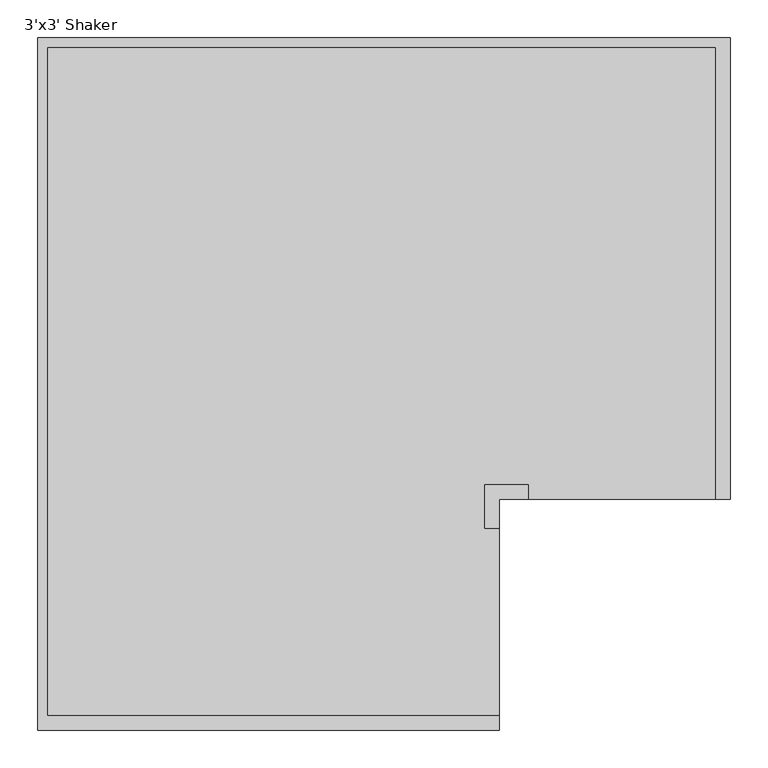
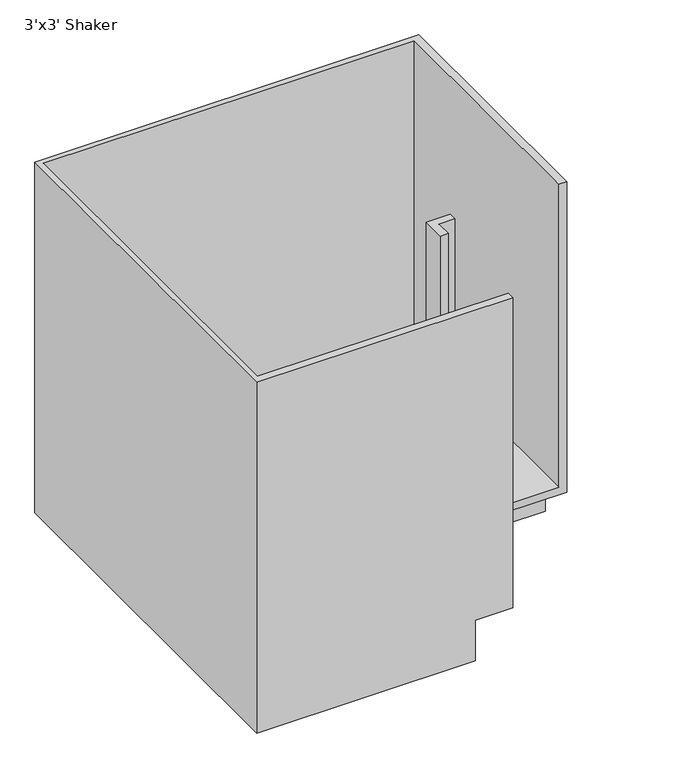
"""IFC4 building model written with IfcOpenShell, lengths in millimetres: furniture geometry, 3'x3' Shaker."""

import ifcopenshell
import ifcopenshell.guid

model = None  # the IFC model being written
_history = None  # IfcOwnerHistory: only IFC2X3 demands one
_inside = {}  # id of a spatial element -> (the spatial element, [elements in it])
_under = {}  # id of a project, library or spatial element -> (it, [spatial elements below it])
_declared = {}  # id of a project -> (the project, [libraries it declares])
_typed = {}  # id of a type object -> (the type object, [elements of that type])
_made_of = {}  # id of a material, layer set ... -> (it, [elements and type objects made of it])


def new_model(schema):
    """Start an empty IFC model of exactly this schema.

    Asked for "IFC4X3", IfcOpenShell would pick the latest addendum, in which some entities
    have other attributes; the version numbers below select the first issue.
    IFC2X3 requires an IfcOwnerHistory on every rooted entity: one is made here for all.
    """
    global model, _history
    if schema == "IFC4X3":
        model = ifcopenshell.file(schema_version=(4, 3, 0, 0))
    else:
        model = ifcopenshell.file(schema=schema)
    _inside.clear()
    _under.clear()
    _declared.clear()
    _typed.clear()
    _made_of.clear()
    _history = None
    if model.schema == "IFC2X3":
        org = make("IfcOrganization", Name="unknown")
        user = make(
            "IfcPersonAndOrganization",
            ThePerson=make("IfcPerson", FamilyName="unknown"),
            TheOrganization=org,
        )
        app = make(
            "IfcApplication",
            ApplicationDeveloper=org,
            Version="unknown",
            ApplicationFullName="unknown",
            ApplicationIdentifier="unknown",
        )
        _history = make(
            "IfcOwnerHistory",
            OwningUser=user,
            OwningApplication=app,
            ChangeAction="ADDED",
            CreationDate=0,
        )
    return model


def make(cls, **values):
    """One entity of the class cls with the attributes given. An attribute that is None is left unset."""
    return model.create_entity(
        cls, **{name: value for name, value in values.items() if value is not None}
    )


def rooted(cls, **values):
    """An entity with a GlobalId (a new one), such as an element, a storey or a relation."""
    return make(cls, GlobalId=ifcopenshell.guid.new(), OwnerHistory=_history, **values)


def si_unit(unit_type, name, prefix=None):
    """IfcSIUnit, for example si_unit("LENGTHUNIT", "METRE", prefix="MILLI")."""
    return make("IfcSIUnit", UnitType=unit_type, Prefix=prefix, Name=name)


def assignment(units):
    """IfcUnitAssignment: the units of a project."""
    return None if units is None else make("IfcUnitAssignment", Units=units)


def point(xyz):
    """IfcCartesianPoint."""
    return None if xyz is None else make("IfcCartesianPoint", Coordinates=xyz)


def direction(xyz):
    """IfcDirection."""
    return None if xyz is None else make("IfcDirection", DirectionRatios=xyz)


def frame(location, z_axis=None, x_axis=None):
    """IfcAxis2Placement3D, a coordinate frame: its origin and axes. An axis left out is left unset."""
    return make(
        "IfcAxis2Placement3D",
        Location=point(location),
        Axis=direction(z_axis),
        RefDirection=direction(x_axis),
    )


def origin():
    """The frame at (0, 0, 0) with its axes left unset."""
    return frame((0.0, 0.0, 0.0))


def place(relative_to, where):
    """IfcLocalPlacement: puts the frame where relative to a parent placement (None: the world)."""
    return make(
        "IfcLocalPlacement", PlacementRelTo=relative_to, RelativePlacement=where
    )


def context(
    kind, dimensions, precision=None, world=None, true_north=None, identifier=None
):
    """IfcGeometricRepresentationContext, for example the 3D "Model" context."""
    return make(
        "IfcGeometricRepresentationContext",
        ContextIdentifier=identifier,
        ContextType=kind,
        CoordinateSpaceDimension=dimensions,
        Precision=precision,
        WorldCoordinateSystem=world,
        TrueNorth=true_north,
    )


def project(units=None, contexts=None):
    """IfcProject with its units and contexts."""
    return rooted(
        "IfcProject",
        Name="project",
        RepresentationContexts=contexts,
        UnitsInContext=assignment(units),
    )


def spatial(cls, under=None, at=None, **own):
    """A site, building, storey or space (cls), placed at a placement, below another one or the project."""
    s = rooted(cls, ObjectPlacement=at, **own)
    if under is not None:
        _under.setdefault(under.id(), (under, []))[1].append(s)
    return s


def faces_of(points, faces, orient=None, outer=None):
    """IfcFace entities. A face is a list of loops; a loop is a list of indices into points, from 0.

    orient and outer hold one flag for each loop. By default every Orientation is true, the
    first loop of a face is its IfcFaceOuterBound and the others are IfcFaceBound.
    """
    made = []
    for i, loops in enumerate(faces):
        bounds = []
        for j, loop in enumerate(loops):
            is_outer = j == 0 if outer is None else outer[i][j]
            bounds.append(
                make(
                    "IfcFaceOuterBound" if is_outer else "IfcFaceBound",
                    Bound=make("IfcPolyLoop", Polygon=[points[k] for k in loop]),
                    Orientation=True if orient is None else orient[i][j],
                )
            )
        made.append(make("IfcFace", Bounds=bounds))
    return made


def faceted_brep(points, faces, orient=None, outer=None, voids=None):
    """IfcFacetedBrep: a solid bounded by flat faces; with voids (closed shells), ...WithVoids."""
    shared = [point(p) for p in points]
    hull = make("IfcClosedShell", CfsFaces=faces_of(shared, faces, orient, outer))
    if voids is None:
        return make("IfcFacetedBrep", Outer=hull)
    return make(
        "IfcFacetedBrepWithVoids",
        Outer=hull,
        Voids=[
            make(cls, CfsFaces=faces_of(shared, fs, o, b)) for cls, fs, o, b in voids
        ],
    )


def shape(context_of_items, identifier, shape_type, items):
    """IfcShapeRepresentation: the items that make up one representation, for example the "Body"."""
    return make(
        "IfcShapeRepresentation",
        ContextOfItems=context_of_items,
        RepresentationIdentifier=identifier,
        RepresentationType=shape_type,
        Items=items,
    )


def source(mapping_origin, context_of_items, identifier, shape_type, items):
    """IfcRepresentationMap: a shape defined once, which mapped items show again and again."""
    return make(
        "IfcRepresentationMap",
        MappingOrigin=mapping_origin,
        MappedRepresentation=shape(context_of_items, identifier, shape_type, items),
    )


def transform(
    local_origin,
    x_axis=None,
    y_axis=None,
    z_axis=None,
    scale=None,
    scale2=None,
    scale3=None,
    uniform=True,
):
    """IfcCartesianTransformationOperator3D, or its non-uniform kind. x_axis, y_axis, z_axis: its Axis1, 2, 3."""
    if uniform:
        return make(
            "IfcCartesianTransformationOperator3D",
            Axis1=direction(x_axis),
            Axis2=direction(y_axis),
            LocalOrigin=point(local_origin),
            Scale=scale,
            Axis3=direction(z_axis),
        )
    return make(
        "IfcCartesianTransformationOperator3DnonUniform",
        Axis1=direction(x_axis),
        Axis2=direction(y_axis),
        LocalOrigin=point(local_origin),
        Scale=scale,
        Axis3=direction(z_axis),
        Scale2=scale2,
        Scale3=scale3,
    )


def mapped(mapping_source, mapping_target):
    """IfcMappedItem: shows the shape of a source again, moved by a transform."""
    return make(
        "IfcMappedItem", MappingSource=mapping_source, MappingTarget=mapping_target
    )


def made_of(thing, what):
    """Note that an element or type object is made of a material, layer set ...; save() writes the relation."""
    if what is not None:
        _made_of.setdefault(what.id(), (what, []))[1].append(thing)
    return thing


def element(
    cls,
    number,
    at=None,
    inside=None,
    cuts=None,
    type_object=None,
    material=None,
    context=None,
    identifier="Body",
    shape_type=None,
    held_by="IfcProductDefinitionShape",
    body=None,
    shapes=None,
    **own,
):
    """One element of the class cls, such as IfcWall. Its Tag is "e" and its number.

    at: its placement. inside: the storey or other place that contains it. cuts: it is an
    opening in that element (IfcRelVoidsElement). A single representation is given by context,
    identifier, shape_type and body (its items); several are given by shapes. held_by: the class
    of the entity that holds the representations. save() writes the other relations.
    """
    e = rooted(cls, Tag="e%d" % number, ObjectPlacement=at, **own)
    if body is not None:
        shapes = [shape(context, identifier, shape_type, body)]
    if shapes is not None:
        e.Representation = make(held_by, Representations=shapes)
    if inside is not None:
        _inside.setdefault(inside.id(), (inside, []))[1].append(e)
    if cuts is not None:
        rooted(
            "IfcRelVoidsElement", RelatingBuildingElement=cuts, RelatedOpeningElement=e
        )
    if type_object is not None:
        _typed.setdefault(type_object.id(), (type_object, []))[1].append(e)
    return made_of(e, material)


def aggregate(whole, parts):
    """IfcRelAggregates: a whole, such as a stair, and the parts it consists of."""
    return rooted("IfcRelAggregates", RelatingObject=whole, RelatedObjects=parts)


def save(model, path):
    """Write the relations noted so far, then the file.

    IfcRelAggregates (storeys below a building ...), IfcRelContainedInSpatialStructure (elements
    in a storey), IfcRelDefinesByType, IfcRelAssociatesMaterial and IfcRelDeclares: one each for
    every whole, place, type object, material and project.
    """
    for whole, parts in _under.values():
        aggregate(whole, parts)
    for where, things in _inside.values():
        rooted(
            "IfcRelContainedInSpatialStructure",
            RelatedElements=things,
            RelatingStructure=where,
        )
    for kind, things in _typed.values():
        rooted("IfcRelDefinesByType", RelatedObjects=things, RelatingType=kind)
    for what, things in _made_of.values():
        rooted("IfcRelAssociatesMaterial", RelatedObjects=things, RelatingMaterial=what)
    for by, libraries in _declared.values():
        rooted("IfcRelDeclares", RelatingContext=by, RelatedDefinitions=libraries)
    model.write(path)


def furniture_3_x3_shaker_d8de203a(model_context):
    return source(origin(), model_context, "Body", "Brep", [
        faceted_brep([(609.6, -895.35, 120.65), (609.6, -647.7, 120.65), (590.55, -647.7, 120.65), (590.55, -590.55, 120.65), (647.7, -590.55, 120.65), (647.7, -609.6, 120.65), (895.35, -609.6, 120.65), (895.35, -12.7, 120.65), (12.7, -12.7, 120.65), (12.7, -895.35, 120.65), (609.6, -609.6, 101.6), (609.6, -914.4, 101.6), (520.7, -914.4, 101.6), (520.7, -520.7, 101.6), (914.4, -520.7, 101.6), (914.4, -609.6, 101.6), (0.0, -914.4, 882.65), (0.0, 0.0, 882.65), (0.0, 0.0, 0.0), (0.0, -914.4, 0.0), (609.6, -914.4, 882.65), (520.7, -914.4, 0.0), (609.6, -895.35, 882.65), (609.6, -609.6, 882.65), (609.6, -647.7, 882.65), (914.4, -609.6, 882.65), (895.35, -609.6, 882.65), (647.7, -609.6, 882.65), (914.4, 0.0, 882.65), (914.4, -520.7, 0.0), (914.4, 0.0, 0.0), (895.35, -12.7, 882.65), (12.7, -895.35, 882.65), (12.7, -12.7, 882.65), (647.7, -590.55, 882.65), (590.55, -590.55, 882.65), (590.55, -647.7, 882.65), (520.7, -520.7, 0.0)], [[[0, 1, 2, 3, 4, 5, 6, 7, 8, 9]], [[10, 11, 12, 13, 14, 15]], [[16, 17, 18, 19]], [[20, 16, 19, 21, 12, 11]], [[22, 20, 11, 10, 23, 24, 1, 0]], [[25, 26, 6, 5, 27, 23, 10, 15]], [[28, 25, 15, 14, 29, 30]], [[18, 17, 28, 30]], [[31, 26, 25, 28, 17, 16, 20, 22, 32, 33]], [[34, 35, 36, 24, 23, 27]], [[31, 33, 8, 7]], [[26, 31, 7, 6]], [[32, 22, 0, 9]], [[33, 32, 9, 8]], [[35, 34, 4, 3]], [[36, 35, 3, 2]], [[24, 36, 2, 1]], [[34, 27, 5, 4]], [[21, 19, 18, 30, 29, 37]], [[21, 37, 13, 12]], [[37, 29, 14, 13]]]),
    ])


if __name__ == "__main__":
    model = new_model("IFC4")
    model_context = context("Model", 3, world=origin())
    ifc_project = project(units=[si_unit("LENGTHUNIT", "METRE", prefix="MILLI")], contexts=[model_context])
    site = spatial("IfcSite", under=ifc_project)
    building = spatial("IfcBuilding", under=site)
    placement = place(None, origin())
    furniture_3_x3_shaker_shape = furniture_3_x3_shaker_d8de203a(model_context)
    element("IfcFurniture", 1, ObjectType="3'x3' Shaker", at=placement, inside=building, context=model_context, shape_type="MappedRepresentation", body=[
        mapped(furniture_3_x3_shaker_shape, transform((0.0, 0.0, 0.0), x_axis=(1.0, 0.0, 0.0), y_axis=(0.0, 1.0, 0.0), z_axis=(0.0, 0.0, 1.0))),
    ])
    save(model, "model.ifc")
